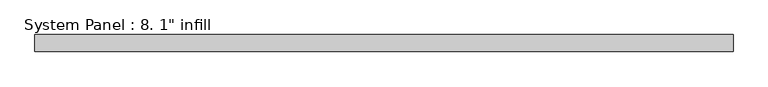
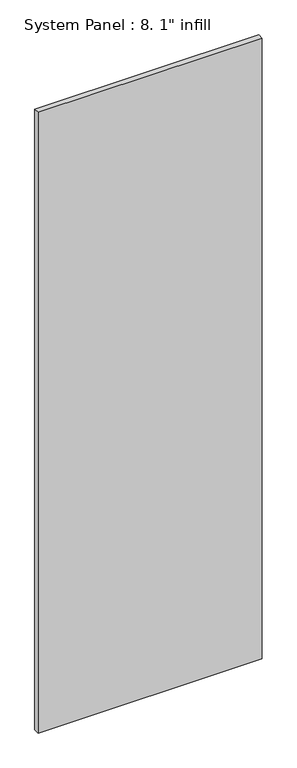
"""IFC4 building model written with IfcOpenShell, lengths in millimetres: plate geometry."""

from ifc_helpers import new_model, si_unit, origin, origin_with_axes, place, context, project, spatial, polyline, outline, extrude, source, transform, mapped, element, save


def plate_062571a0(model_context):
    return source(origin(), model_context, "Body", "SweptSolid", [
        extrude(outline(polyline([(520.7, 0.0), (-520.7, 0.0), (-520.7, 25.4), (520.7, 25.4), (520.7, 0.0)])), origin_with_axes(), (0.0, 0.0, 1.0), 3048.0),
    ])


if __name__ == "__main__":
    model = new_model("IFC4")
    model_context = context("Model", 3, world=origin())
    ifc_project = project(units=[si_unit("LENGTHUNIT", "METRE", prefix="MILLI")], contexts=[model_context])
    site = spatial("IfcSite", under=ifc_project)
    building = spatial("IfcBuilding", under=site)
    placement = place(None, origin())
    plate_shape = plate_062571a0(model_context)
    element("IfcPlate", 1, ObjectType="System Panel : 8. 1\" infill", at=placement, inside=building, context=model_context, shape_type="MappedRepresentation", body=[
        mapped(plate_shape, transform((0.0, 0.0, 0.0), x_axis=(1.0, 0.0, 0.0), y_axis=(0.0, 1.0, 0.0), z_axis=(0.0, 0.0, 1.0))),
    ])
    save(model, "model.ifc")
